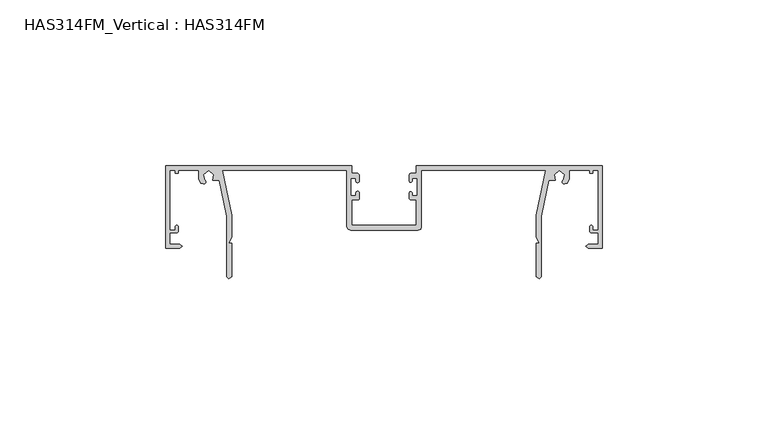
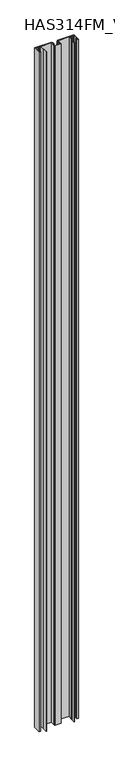
"""IFC4 building model written with IfcOpenShell, lengths in millimetres: beam geometry, HAS314FM_Vertical : HAS314FM."""

import ifcopenshell
import ifcopenshell.guid

model = None  # the IFC model being written
_history = None  # IfcOwnerHistory: only IFC2X3 demands one
_inside = {}  # id of a spatial element -> (the spatial element, [elements in it])
_under = {}  # id of a project, library or spatial element -> (it, [spatial elements below it])
_declared = {}  # id of a project -> (the project, [libraries it declares])
_typed = {}  # id of a type object -> (the type object, [elements of that type])
_made_of = {}  # id of a material, layer set ... -> (it, [elements and type objects made of it])


def new_model(schema):
    """Start an empty IFC model of exactly this schema.

    Asked for "IFC4X3", IfcOpenShell would pick the latest addendum, in which some entities
    have other attributes; the version numbers below select the first issue.
    IFC2X3 requires an IfcOwnerHistory on every rooted entity: one is made here for all.
    """
    global model, _history
    if schema == "IFC4X3":
        model = ifcopenshell.file(schema_version=(4, 3, 0, 0))
    else:
        model = ifcopenshell.file(schema=schema)
    _inside.clear()
    _under.clear()
    _declared.clear()
    _typed.clear()
    _made_of.clear()
    _history = None
    if model.schema == "IFC2X3":
        org = make("IfcOrganization", Name="unknown")
        user = make(
            "IfcPersonAndOrganization",
            ThePerson=make("IfcPerson", FamilyName="unknown"),
            TheOrganization=org,
        )
        app = make(
            "IfcApplication",
            ApplicationDeveloper=org,
            Version="unknown",
            ApplicationFullName="unknown",
            ApplicationIdentifier="unknown",
        )
        _history = make(
            "IfcOwnerHistory",
            OwningUser=user,
            OwningApplication=app,
            ChangeAction="ADDED",
            CreationDate=0,
        )
    return model


def make(cls, **values):
    """One entity of the class cls with the attributes given. An attribute that is None is left unset."""
    return model.create_entity(
        cls, **{name: value for name, value in values.items() if value is not None}
    )


def rooted(cls, **values):
    """An entity with a GlobalId (a new one), such as an element, a storey or a relation."""
    return make(cls, GlobalId=ifcopenshell.guid.new(), OwnerHistory=_history, **values)


def si_unit(unit_type, name, prefix=None):
    """IfcSIUnit, for example si_unit("LENGTHUNIT", "METRE", prefix="MILLI")."""
    return make("IfcSIUnit", UnitType=unit_type, Prefix=prefix, Name=name)


def assignment(units):
    """IfcUnitAssignment: the units of a project."""
    return None if units is None else make("IfcUnitAssignment", Units=units)


def point(xyz):
    """IfcCartesianPoint."""
    return None if xyz is None else make("IfcCartesianPoint", Coordinates=xyz)


def direction(xyz):
    """IfcDirection."""
    return None if xyz is None else make("IfcDirection", DirectionRatios=xyz)


def frame(location, z_axis=None, x_axis=None):
    """IfcAxis2Placement3D, a coordinate frame: its origin and axes. An axis left out is left unset."""
    return make(
        "IfcAxis2Placement3D",
        Location=point(location),
        Axis=direction(z_axis),
        RefDirection=direction(x_axis),
    )


def frame_2d(location, x_axis=None):
    """IfcAxis2Placement2D, a coordinate frame in the plane: its origin and x axis."""
    return make(
        "IfcAxis2Placement2D", Location=point(location), RefDirection=direction(x_axis)
    )


def origin():
    """The frame at (0, 0, 0) with its axes left unset."""
    return frame((0.0, 0.0, 0.0))


def place(relative_to, where):
    """IfcLocalPlacement: puts the frame where relative to a parent placement (None: the world)."""
    return make(
        "IfcLocalPlacement", PlacementRelTo=relative_to, RelativePlacement=where
    )


def context(
    kind, dimensions, precision=None, world=None, true_north=None, identifier=None
):
    """IfcGeometricRepresentationContext, for example the 3D "Model" context."""
    return make(
        "IfcGeometricRepresentationContext",
        ContextIdentifier=identifier,
        ContextType=kind,
        CoordinateSpaceDimension=dimensions,
        Precision=precision,
        WorldCoordinateSystem=world,
        TrueNorth=true_north,
    )


def project(units=None, contexts=None):
    """IfcProject with its units and contexts."""
    return rooted(
        "IfcProject",
        Name="project",
        RepresentationContexts=contexts,
        UnitsInContext=assignment(units),
    )


def spatial(cls, under=None, at=None, **own):
    """A site, building, storey or space (cls), placed at a placement, below another one or the project."""
    s = rooted(cls, ObjectPlacement=at, **own)
    if under is not None:
        _under.setdefault(under.id(), (under, []))[1].append(s)
    return s


def polyline(points):
    """IfcPolyline through the points."""
    return make("IfcPolyline", Points=[point(p) for p in points])


def circle_curve(where, radius):
    """IfcCircle in the frame where."""
    return make("IfcCircle", Position=where, Radius=radius)


def trimmed(basis, trim1, trim2, sense, master):
    """IfcTrimmedCurve: the piece of a basis curve between two trims."""
    return make(
        "IfcTrimmedCurve",
        BasisCurve=basis,
        Trim1=trim1,
        Trim2=trim2,
        SenseAgreement=sense,
        MasterRepresentation=master,
    )


def segment(curve, same_sense, transition):
    """IfcCompositeCurveSegment."""
    return make(
        "IfcCompositeCurveSegment",
        Transition=transition,
        SameSense=same_sense,
        ParentCurve=curve,
    )


def composite_curve(segments, self_intersect=None):
    """IfcCompositeCurve: segments joined end to end."""
    return make("IfcCompositeCurve", Segments=segments, SelfIntersect=self_intersect)


def outline(outer, holes=None, kind="AREA"):
    """IfcArbitraryClosedProfileDef: a profile drawn as a closed curve; with holes, ...WithVoids."""
    if holes is None:
        return make("IfcArbitraryClosedProfileDef", ProfileType=kind, OuterCurve=outer)
    return make(
        "IfcArbitraryProfileDefWithVoids",
        ProfileType=kind,
        OuterCurve=outer,
        InnerCurves=holes,
    )


def extrude(swept, where, along, depth):
    """IfcExtrudedAreaSolid: the profile swept, set in the frame where, extruded along a direction by depth."""
    return make(
        "IfcExtrudedAreaSolid",
        SweptArea=swept,
        Position=where,
        ExtrudedDirection=direction(along),
        Depth=depth,
    )


def shape(context_of_items, identifier, shape_type, items):
    """IfcShapeRepresentation: the items that make up one representation, for example the "Body"."""
    return make(
        "IfcShapeRepresentation",
        ContextOfItems=context_of_items,
        RepresentationIdentifier=identifier,
        RepresentationType=shape_type,
        Items=items,
    )


def source(mapping_origin, context_of_items, identifier, shape_type, items):
    """IfcRepresentationMap: a shape defined once, which mapped items show again and again."""
    return make(
        "IfcRepresentationMap",
        MappingOrigin=mapping_origin,
        MappedRepresentation=shape(context_of_items, identifier, shape_type, items),
    )


def transform(
    local_origin,
    x_axis=None,
    y_axis=None,
    z_axis=None,
    scale=None,
    scale2=None,
    scale3=None,
    uniform=True,
):
    """IfcCartesianTransformationOperator3D, or its non-uniform kind. x_axis, y_axis, z_axis: its Axis1, 2, 3."""
    if uniform:
        return make(
            "IfcCartesianTransformationOperator3D",
            Axis1=direction(x_axis),
            Axis2=direction(y_axis),
            LocalOrigin=point(local_origin),
            Scale=scale,
            Axis3=direction(z_axis),
        )
    return make(
        "IfcCartesianTransformationOperator3DnonUniform",
        Axis1=direction(x_axis),
        Axis2=direction(y_axis),
        LocalOrigin=point(local_origin),
        Scale=scale,
        Axis3=direction(z_axis),
        Scale2=scale2,
        Scale3=scale3,
    )


def mapped(mapping_source, mapping_target):
    """IfcMappedItem: shows the shape of a source again, moved by a transform."""
    return make(
        "IfcMappedItem", MappingSource=mapping_source, MappingTarget=mapping_target
    )


def made_of(thing, what):
    """Note that an element or type object is made of a material, layer set ...; save() writes the relation."""
    if what is not None:
        _made_of.setdefault(what.id(), (what, []))[1].append(thing)
    return thing


def element(
    cls,
    number,
    at=None,
    inside=None,
    cuts=None,
    type_object=None,
    material=None,
    context=None,
    identifier="Body",
    shape_type=None,
    held_by="IfcProductDefinitionShape",
    body=None,
    shapes=None,
    **own,
):
    """One element of the class cls, such as IfcWall. Its Tag is "e" and its number.

    at: its placement. inside: the storey or other place that contains it. cuts: it is an
    opening in that element (IfcRelVoidsElement). A single representation is given by context,
    identifier, shape_type and body (its items); several are given by shapes. held_by: the class
    of the entity that holds the representations. save() writes the other relations.
    """
    e = rooted(cls, Tag="e%d" % number, ObjectPlacement=at, **own)
    if body is not None:
        shapes = [shape(context, identifier, shape_type, body)]
    if shapes is not None:
        e.Representation = make(held_by, Representations=shapes)
    if inside is not None:
        _inside.setdefault(inside.id(), (inside, []))[1].append(e)
    if cuts is not None:
        rooted(
            "IfcRelVoidsElement", RelatingBuildingElement=cuts, RelatedOpeningElement=e
        )
    if type_object is not None:
        _typed.setdefault(type_object.id(), (type_object, []))[1].append(e)
    return made_of(e, material)


def aggregate(whole, parts):
    """IfcRelAggregates: a whole, such as a stair, and the parts it consists of."""
    return rooted("IfcRelAggregates", RelatingObject=whole, RelatedObjects=parts)


def save(model, path):
    """Write the relations noted so far, then the file.

    IfcRelAggregates (storeys below a building ...), IfcRelContainedInSpatialStructure (elements
    in a storey), IfcRelDefinesByType, IfcRelAssociatesMaterial and IfcRelDeclares: one each for
    every whole, place, type object, material and project.
    """
    for whole, parts in _under.values():
        aggregate(whole, parts)
    for where, things in _inside.values():
        rooted(
            "IfcRelContainedInSpatialStructure",
            RelatedElements=things,
            RelatingStructure=where,
        )
    for kind, things in _typed.values():
        rooted("IfcRelDefinesByType", RelatedObjects=things, RelatingType=kind)
    for what, things in _made_of.values():
        rooted("IfcRelAssociatesMaterial", RelatedObjects=things, RelatingMaterial=what)
    for by, libraries in _declared.values():
        rooted("IfcRelDeclares", RelatingContext=by, RelatedDefinitions=libraries)
    model.write(path)


def has314fm_vertical_has314fm_477485e0(model_context):
    return source(origin(), model_context, "Body", "SweptSolid", [
        extrude(outline(composite_curve([segment(polyline([(9.9742765, 25.0418006), (9.9742765, 30.3472669), (8.488746, 30.3472669), (8.488746, 29.5472669)]), True, "CONTINUOUS"), segment(trimmed(circle_curve(frame_2d((8.0643087, 29.5472669)), 0.4244373), [point((8.488746, 29.5472669))], [point((7.6398714, 29.5472669))], False, "CARTESIAN"), True, "CONTINUOUS"), segment(polyline([(7.6398714, 29.5472669), (7.6398714, 31.1981449)]), True, "CONTINUOUS"), segment(trimmed(circle_curve(frame_2d((8.2745239, 31.1981449)), 0.6346525), [point((7.6398714, 31.1981449))], [point((8.2745239, 31.8327974))], False, "CARTESIAN"), True, "CONTINUOUS"), segment(polyline([(8.2745239, 31.8327974), (9.7620579, 31.8327974), (9.7620579, 34.1672026), (66.0, 34.1672026), (66.0, 9.1254019), (61.755627, 9.1254019), (60.9067524, 9.7620579), (61.755627, 10.3987138), (64.7266881, 10.3987138), (64.7266881, 13.7942122), (62.7447485, 13.7942122)]), True, "CONTINUOUS"), segment(trimmed(circle_curve(frame_2d((62.7447485, 14.3588964)), 0.5646842), [point((62.7447485, 13.7942122))], [point((62.1800643, 14.3588964))], False, "CARTESIAN"), True, "CONTINUOUS"), segment(polyline([(62.1800643, 14.3588964), (62.1800643, 15.7041801)]), True, "CONTINUOUS"), segment(trimmed(circle_curve(frame_2d((62.6045016, 15.7041801)), 0.4244373), [point((62.1800643, 15.7041801))], [point((63.0289389, 15.7041801))], False, "CARTESIAN"), True, "CONTINUOUS"), segment(polyline([(63.0289389, 15.7041801), (63.0289389, 14.6430868), (64.7266881, 14.6430868), (64.7266881, 32.681672), (63.0289389, 32.681672), (63.0289389, 31.8327974), (62.1800643, 31.8327974), (62.1800643, 32.681672), (56.0257235, 32.681672), (56.0257235, 30.1350482), (55.3890675, 28.8617363), (54.5401929, 28.6495177)]), True, "CONTINUOUS"), segment(trimmed(circle_curve(frame_2d((54.4003215, 29.2090032)), 0.5767045), [point((54.5401929, 28.6495177))], [point((54.1157556, 29.7106109))], False, "CARTESIAN"), True, "CONTINUOUS"), segment(polyline([(54.1157556, 29.7106109), (54.5401929, 31.4083601), (52.9485531, 32.7347267), (51.3569132, 31.4083601), (51.7813505, 29.7106109), (49.7918006, 29.7106109), (47.5369775, 18.8874598), (47.5369775, 0.6366559), (46.9003215, 0.0), (46.0514469, 0.6366559), (46.0514469, 10.6109325), (46.9003215, 10.6109325), (46.0514469, 12.5209003), (46.0514469, 19.0996785), (48.8992843, 32.681672), (11.2475884, 32.681672), (11.2475884, 15.7041801), (11.0353698, 14.8553055), (10.1864952, 14.6430868), (-9.9742765, 14.6430868), (-10.8231511, 14.8553055), (-11.2475884, 15.7041801), (-11.2475884, 32.681672), (-48.8992843, 32.681672), (-46.0514469, 19.0996785), (-46.0514469, 12.5209003), (-46.9003215, 10.6109325), (-46.0514469, 10.6109325), (-46.0514469, 0.6366559), (-46.9003215, 0.0), (-47.5369775, 0.6366559), (-47.5369775, 18.8874598), (-49.7918006, 29.7106109), (-51.7813505, 29.7106109), (-51.3569132, 31.4083601), (-52.9485531, 32.7347267), (-54.5401929, 31.4083601), (-54.1157556, 29.7106109)]), True, "CONTINUOUS"), segment(trimmed(circle_curve(frame_2d((-54.4003215, 29.2090032)), 0.5767045), [point((-54.1157556, 29.7106109))], [point((-54.5401929, 28.6495177))], False, "CARTESIAN"), True, "CONTINUOUS"), segment(polyline([(-54.5401929, 28.6495177), (-55.3890675, 28.8617363), (-56.0257235, 30.1350482), (-56.0257235, 32.681672), (-62.1800643, 32.681672), (-62.1800643, 31.8327974), (-63.0289389, 31.8327974), (-63.0289389, 32.681672), (-64.7266881, 32.681672), (-64.7266881, 14.6430868), (-63.0289389, 14.6430868), (-63.0289389, 15.7041801)]), True, "CONTINUOUS"), segment(trimmed(circle_curve(frame_2d((-62.6045016, 15.7041801)), 0.4244373), [point((-63.0289389, 15.7041801))], [point((-62.1800643, 15.7041801))], False, "CARTESIAN"), True, "CONTINUOUS"), segment(polyline([(-62.1800643, 15.7041801), (-62.1800643, 14.3588964)]), True, "CONTINUOUS"), segment(trimmed(circle_curve(frame_2d((-62.7447485, 14.3588964)), 0.5646842), [point((-62.1800643, 14.3588964))], [point((-62.7447485, 13.7942122))], False, "CARTESIAN"), True, "CONTINUOUS"), segment(polyline([(-62.7447485, 13.7942122), (-64.7266881, 13.7942122), (-64.7266881, 10.3987138), (-61.755627, 10.3987138), (-60.9067524, 9.7620579), (-61.755627, 9.1254019), (-66.0, 9.1254019), (-66.0, 34.1672026), (-9.7620579, 34.1672026), (-9.7620579, 31.8327974), (-8.2221754, 31.8327974)]), True, "CONTINUOUS"), segment(trimmed(circle_curve(frame_2d((-8.2221754, 31.0382748)), 0.7945227), [point((-8.2221754, 31.8327974))], [point((-7.4276527, 31.0382748))], False, "CARTESIAN"), True, "CONTINUOUS"), segment(polyline([(-7.4276527, 31.0382748), (-7.4276527, 29.5472669)]), True, "CONTINUOUS"), segment(trimmed(circle_curve(frame_2d((-7.9581994, 29.5472669)), 0.5305466), [point((-7.4276527, 29.5472669))], [point((-8.488746, 29.5472669))], False, "CARTESIAN"), True, "CONTINUOUS"), segment(polyline([(-8.488746, 29.5472669), (-8.488746, 30.3472669), (-9.9742765, 30.3472669), (-9.9742765, 25.0418006), (-8.488746, 25.0418006), (-8.488746, 25.8418006)]), True, "CONTINUOUS"), segment(trimmed(circle_curve(frame_2d((-7.9581994, 25.8418006)), 0.5305466), [point((-8.488746, 25.8418006))], [point((-7.4276527, 25.8418006))], False, "CARTESIAN"), True, "CONTINUOUS"), segment(polyline([(-7.4276527, 25.8418006), (-7.4276527, 24.3684887)]), True, "CONTINUOUS"), segment(trimmed(circle_curve(frame_2d((-8.0276527, 24.3684887)), 0.6), [point((-7.4276527, 24.3684887))], [point((-8.0276527, 23.7684887))], False, "CARTESIAN"), True, "CONTINUOUS"), segment(polyline([(-8.0276527, 23.7684887), (-9.7620579, 23.7684887), (-9.7620579, 16.1286174), (9.7620579, 16.1286174), (9.7620579, 23.7684887), (8.180906, 23.7684887)]), True, "CONTINUOUS"), segment(trimmed(circle_curve(frame_2d((8.180906, 24.3095233)), 0.5410346), [point((8.180906, 23.7684887))], [point((7.6398714, 24.3095233))], False, "CARTESIAN"), True, "CONTINUOUS"), segment(polyline([(7.6398714, 24.3095233), (7.6398714, 25.8418006)]), True, "CONTINUOUS"), segment(trimmed(circle_curve(frame_2d((8.0643087, 25.8418006)), 0.4244373), [point((7.6398714, 25.8418006))], [point((8.488746, 25.8418006))], False, "CARTESIAN"), True, "CONTINUOUS"), segment(polyline([(8.488746, 25.8418006), (8.488746, 25.0418006), (9.9742765, 25.0418006)]), True, "CONTINUOUS")], self_intersect=False)), frame((0.0, 0.0, -1200.0), z_axis=(0.0, 0.0, 1.0), x_axis=(1.0, 0.0, 0.0)), (0.0, 0.0, 1.0), 2400.0),
    ])


if __name__ == "__main__":
    model = new_model("IFC4")
    model_context = context("Model", 3, world=origin())
    ifc_project = project(units=[si_unit("LENGTHUNIT", "METRE", prefix="MILLI")], contexts=[model_context])
    site = spatial("IfcSite", under=ifc_project)
    building = spatial("IfcBuilding", under=site)
    placement = place(None, origin())
    has314fm_vertical_has314fm_shape = has314fm_vertical_has314fm_477485e0(model_context)
    element("IfcBeam", 1, ObjectType="HAS314FM_Vertical : HAS314FM", at=placement, inside=building, context=model_context, shape_type="MappedRepresentation", body=[
        mapped(has314fm_vertical_has314fm_shape, transform((0.0, 0.0, 0.0), x_axis=(1.0, 0.0, 0.0), y_axis=(0.0, 1.0, 0.0), z_axis=(0.0, 0.0, 1.0))),
    ])
    save(model, "model.ifc")
